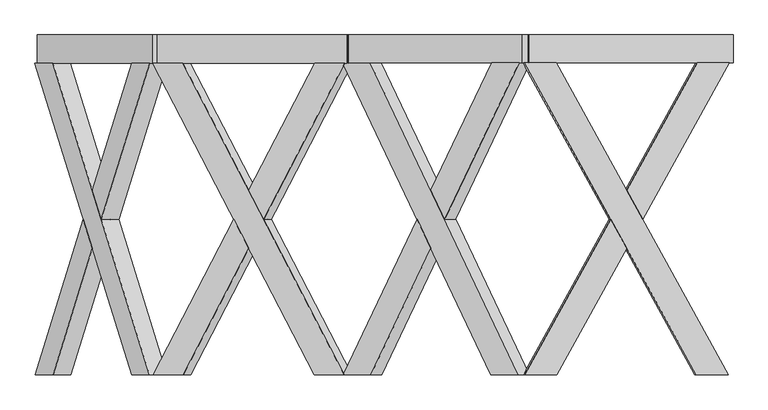
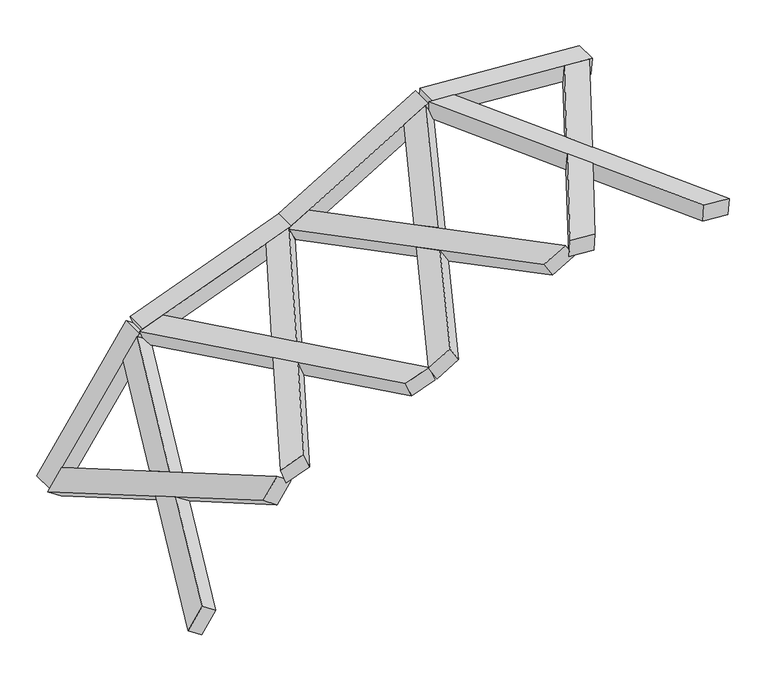
"""IFC4 building model written with IfcOpenShell, lengths in millimetres: proxy geometry."""

from ifc_helpers import new_model, si_unit, frame, origin, place, context, project, spatial, polyline, outline, extrude, faceted_brep, source, transform, mapped, element, save


def generic_models_935bc796(model_context):
    return source(origin(), model_context, "Body", "SolidModel", [
        faceted_brep([(4854.09513, -100.0, 2310.8659425), (3626.7014919, -2319.6837757, 2396.6936667), (3398.587709, -2319.6837757, 2412.6449363), (4625.981347, -100.0, 2326.8172121), (3409.05118, -2319.6837757, 2562.2795438), (3637.164963, -2319.6837757, 2546.3282742), (4134.4398915, -1420.3854116, 2511.5554238), (4020.383, -1214.1188776, 2519.5310586), (4864.5586011, -100.0, 2460.5005501), (4636.4448181, -100.0, 2476.4518197), (4134.4398915, -1007.8523437, 2511.5554238), (4248.496783, -1214.1188776, 2503.579789), (4015.1512645, -1214.1188776, 2444.7137548), (4129.208156, -1007.8523437, 2436.73812), (4243.2650474, -1214.1188776, 2428.7624852), (4129.208156, -1420.3854116, 2436.73812)], [[[0, 1, 2, 3]], [[4, 5, 6, 7]], [[8, 9, 10, 11]], [[0, 3, 9, 8]], [[3, 2, 4, 7, 12, 13, 10, 9]], [[2, 1, 5, 4]], [[1, 0, 8, 11, 14, 15, 6, 5]], [[12, 15, 14, 13]], [[13, 14, 11, 10]], [[15, 12, 7, 6]]]),
        faceted_brep([(3393.8577108, -100.0, 2412.9756899), (3621.9714938, -100.0, 2397.0244203), (4123.9764204, -1007.8523437, 2361.9208162), (4009.9195289, -1214.1188776, 2369.896451), (4849.3651319, -2319.6837757, 2311.1966962), (4621.2513489, -2319.6837757, 2327.1479658), (4123.9764204, -1420.3854116, 2361.9208162), (4238.0333119, -1214.1188776, 2353.9451814), (3404.3211819, -100.0, 2562.6102975), (4631.71482, -2319.6837757, 2476.7825734), (4859.828603, -2319.6837757, 2460.8313038), (3632.4349649, -100.0, 2546.6590279), (4243.2650474, -1214.1188776, 2428.7624852), (4129.208156, -1007.8523437, 2436.73812), (4015.1512645, -1214.1188776, 2444.7137548), (4129.208156, -1420.3854116, 2436.73812)], [[[0, 1, 2, 3]], [[4, 5, 6, 7]], [[8, 9, 10, 11]], [[1, 0, 8, 11]], [[11, 10, 4, 7, 12, 13, 2, 1]], [[5, 4, 10, 9]], [[9, 8, 0, 3, 14, 15, 6, 5]], [[12, 15, 14, 13]], [[13, 14, 3, 2]], [[15, 12, 7, 6]]]),
        extrude(outline(polyline([(0.0, -200.0), (0.0, 0.0), (1460.0, 0.0), (1460.0, -200.0), (0.0, -200.0)])), frame((4882.1250986, -100.0, 2308.9058962), z_axis=(0.06975647374412841, 0.0, 0.9975640502598241), x_axis=(-0.9975640502598241, 0.0, 0.06975647374412841)), (0.0, 0.0, 1.0), 150.0),
        faceted_brep([(3445.4561339, -100.0, 2406.8083505), (2390.805366, -2319.6837757, 1773.1102373), (2194.796222, -2319.6837757, 1655.3360617), (3249.4469899, -100.0, 2289.0341749), (2117.5405107, -2319.6837757, 1783.9111568), (2313.5496547, -2319.6837757, 1901.6853324), (2740.8383166, -1420.3854116, 2158.4262623), (2642.8337446, -1214.1188776, 2099.5391745), (3368.2004227, -100.0, 2535.3834456), (3172.1912786, -100.0, 2417.60927), (2740.8383166, -1007.8523437, 2158.4262623), (2838.8428886, -1214.1188776, 2217.3133501), (2681.4616002, -1214.1188776, 2035.2516269), (2779.4661722, -1007.8523437, 2094.1387147), (2877.4707443, -1214.1188776, 2153.0258025), (2779.4661722, -1420.3854116, 2094.1387147)], [[[0, 1, 2, 3]], [[4, 5, 6, 7]], [[8, 9, 10, 11]], [[0, 3, 9, 8]], [[3, 2, 4, 7, 12, 13, 10, 9]], [[2, 1, 5, 4]], [[1, 0, 8, 11, 14, 15, 6, 5]], [[12, 15, 14, 13]], [[13, 14, 11, 10]], [[15, 12, 7, 6]]]),
        faceted_brep([(2190.7319218, -100.0, 1652.8939838), (2386.7410658, -100.0, 1770.6681594), (2818.0940279, -1007.8523437, 2029.8511672), (2720.0894559, -1214.1188776, 1970.9640793), (3441.3918338, -2319.6837757, 2404.3662726), (3245.3826897, -2319.6837757, 2286.592097), (2818.0940279, -1420.3854116, 2029.8511672), (2916.0985999, -1214.1188776, 2088.738255), (2113.4762106, -100.0, 1781.4690789), (3168.1269785, -2319.6837757, 2415.1671921), (3364.1361225, -2319.6837757, 2532.9413677), (2309.4853546, -100.0, 1899.2432545), (2877.4707443, -1214.1188776, 2153.0258025), (2779.4661722, -1007.8523437, 2094.1387147), (2681.4616002, -1214.1188776, 2035.2516269), (2779.4661722, -1420.3854116, 2094.1387147)], [[[0, 1, 2, 3]], [[4, 5, 6, 7]], [[8, 9, 10, 11]], [[1, 0, 8, 11]], [[11, 10, 4, 7, 12, 13, 2, 1]], [[5, 4, 10, 9]], [[9, 8, 0, 3, 14, 15, 6, 5]], [[12, 15, 14, 13]], [[13, 14, 3, 2]], [[15, 12, 7, 6]]]),
        extrude(outline(polyline([(0.0, -200.0), (0.0, 0.0), (1460.0, 0.0), (1460.0, -200.0), (0.0, -200.0)])), frame((3469.5411764, -100.0, 2421.2801041), z_axis=(-0.5150380749100513, 0.0, 0.8571673007021141), x_axis=(-0.8571673007021141, 0.0, -0.5150380749100513)), (0.0, 0.0, 1.0), 150.0),
        faceted_brep([(2180.0945278, -100.0, 1653.5239589), (1031.4257522, -2319.6837757, 1212.5913278), (817.9431566, -2319.6837757, 1130.6430373), (1966.6119321, -100.0, 1571.5756683), (764.1879641, -2319.6837757, 1270.6801012), (977.6705598, -2319.6837757, 1352.6283918), (1443.0503414, -1420.3854116, 1531.2709526), (1336.3090436, -1214.1188776, 1490.2968073), (2126.3393353, -100.0, 1793.5610229), (1912.8567397, -100.0, 1711.6127323), (1443.0503414, -1007.8523437, 1531.2709526), (1549.7916392, -1214.1188776, 1572.2450979), (1363.1866398, -1214.1188776, 1420.2782753), (1469.9279376, -1007.8523437, 1461.2524206), (1576.6692354, -1214.1188776, 1502.2265659), (1469.9279376, -1420.3854116, 1461.2524206)], [[[0, 1, 2, 3]], [[4, 5, 6, 7]], [[8, 9, 10, 11]], [[0, 3, 9, 8]], [[3, 2, 4, 7, 12, 13, 10, 9]], [[2, 1, 5, 4]], [[1, 0, 8, 11, 14, 15, 6, 5]], [[12, 15, 14, 13]], [[13, 14, 11, 10]], [[15, 12, 7, 6]]]),
        faceted_brep([(813.5165399, -100.0, 1128.9438183), (1026.9991356, -100.0, 1210.8921089), (1496.8055338, -1007.8523437, 1391.2338886), (1390.064236, -1214.1188776, 1350.2597433), (2175.6679111, -2319.6837757, 1651.82474), (1962.1853154, -2319.6837757, 1569.8764494), (1496.8055338, -1420.3854116, 1391.2338886), (1603.5468317, -1214.1188776, 1432.2080339), (759.7613475, -100.0, 1268.9808823), (1908.430123, -2319.6837757, 1709.9135134), (2121.9127187, -2319.6837757, 1791.861804), (973.2439431, -100.0, 1350.9291729), (1576.6692354, -1214.1188776, 1502.2265659), (1469.9279376, -1007.8523437, 1461.2524206), (1363.1866398, -1214.1188776, 1420.2782753), (1469.9279376, -1420.3854116, 1461.2524206)], [[[0, 1, 2, 3]], [[4, 5, 6, 7]], [[8, 9, 10, 11]], [[1, 0, 8, 11]], [[11, 10, 4, 7, 12, 13, 2, 1]], [[5, 4, 10, 9]], [[9, 8, 0, 3, 14, 15, 6, 5]], [[12, 15, 14, 13]], [[13, 14, 3, 2]], [[15, 12, 7, 6]]]),
        extrude(outline(polyline([(0.0, -200.0), (0.0, 0.0), (1460.0, 0.0), (1460.0, -200.0), (0.0, -200.0)])), frame((2206.326658, -100.0, 1663.5935303), z_axis=(-0.3583679495453, 0.0, 0.9335804264972019), x_axis=(-0.9335804264972019, 0.0, -0.3583679495453)), (0.0, 0.0, 1.0), 150.0),
        faceted_brep([(862.8870228, -100.0, 1145.1607465), (174.8612143, -2319.6837757, 125.1205375), (46.9901181, -2319.6837757, -64.4561587), (735.0159266, -100.0, 955.5840503), (-77.3655178, -2319.6837757, 19.4227768), (50.5055784, -2319.6837757, 208.999473), (329.2572145, -1420.3854116, 622.2657685), (265.3216664, -1214.1188776, 527.4774204), (738.5313869, -100.0, 1229.039682), (610.6602907, -100.0, 1039.4629858), (329.2572145, -1007.8523437, 622.2657685), (393.1927626, -1214.1188776, 717.0541166), (327.4994843, -1214.1188776, 485.5379527), (391.4350324, -1007.8523437, 580.3263008), (455.3705805, -1214.1188776, 675.1146489), (391.4350324, -1420.3854116, 580.3263008)], [[[0, 1, 2, 3]], [[4, 5, 6, 7]], [[8, 9, 10, 11]], [[0, 3, 9, 8]], [[3, 2, 4, 7, 12, 13, 10, 9]], [[2, 1, 5, 4]], [[1, 0, 8, 11, 14, 15, 6, 5]], [[12, 15, 14, 13]], [[13, 14, 11, 10]], [[15, 12, 7, 6]]]),
        faceted_brep([(44.338678, -100.0, -68.3870804), (172.2097742, -100.0, 121.1896158), (453.6128504, -1007.8523437, 538.386833), (389.6773023, -1214.1188776, 443.5984849), (860.2355826, -2319.6837757, 1141.2298248), (732.3644864, -2319.6837757, 951.6531286), (453.6128504, -1420.3854116, 538.386833), (517.5483985, -1214.1188776, 633.1751811), (-80.0169579, -100.0, 15.4918551), (608.0088506, -2319.6837757, 1035.5320641), (735.8799467, -2319.6837757, 1225.1087603), (47.8541383, -100.0, 205.0685513), (455.3705805, -1214.1188776, 675.1146489), (391.4350324, -1007.8523437, 580.3263008), (327.4994843, -1214.1188776, 485.5379527), (391.4350324, -1420.3854116, 580.3263008)], [[[0, 1, 2, 3]], [[4, 5, 6, 7]], [[8, 9, 10, 11]], [[1, 0, 8, 11]], [[11, 10, 4, 7, 12, 13, 2, 1]], [[5, 4, 10, 9]], [[9, 8, 0, 3, 14, 15, 6, 5]], [[12, 15, 14, 13]], [[13, 14, 3, 2]], [[15, 12, 7, 6]]]),
        extrude(outline(polyline([(-148.3871943, 0.0), (-148.3871943, -150.0), (-348.3871943, -150.0), (-348.3871943, 0.0), (-148.3871943, 0.0)])), frame((62.1778179, -248.3871943, -41.9394678), z_axis=(0.5591929034707477, 0.0, 0.8290375725550412), x_axis=(0.0, -1.0, 0.0)), (0.0, 0.0, 1.0), 1460.0),
    ])


if __name__ == "__main__":
    model = new_model("IFC4")
    model_context = context("Model", 3, world=origin())
    ifc_project = project(units=[si_unit("LENGTHUNIT", "METRE", prefix="MILLI")], contexts=[model_context])
    site = spatial("IfcSite", under=ifc_project)
    building = spatial("IfcBuilding", under=site)
    placement = place(None, origin())
    generic_models_shape = generic_models_935bc796(model_context)
    element("IfcBuildingElementProxy", 1, Name="Generic Models", at=placement, inside=building, context=model_context, shape_type="MappedRepresentation", body=[
        mapped(generic_models_shape, transform((0.0, 0.0, 0.0), x_axis=(1.0, 0.0, 0.0), y_axis=(0.0, 1.0, 0.0), z_axis=(0.0, 0.0, 1.0))),
    ])
    save(model, "model.ifc")
